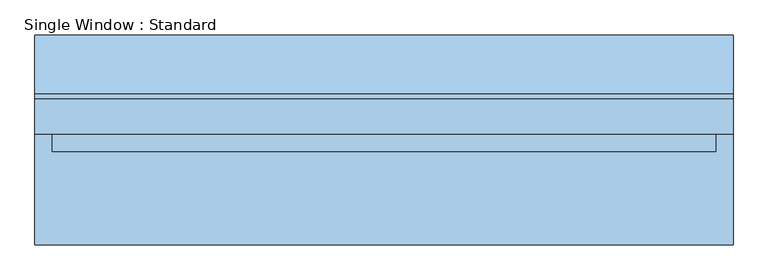
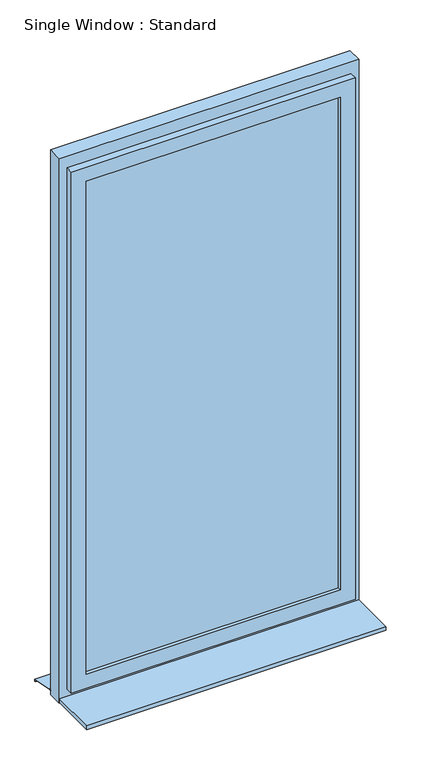
"""IFC4 building model written with IfcOpenShell, lengths in millimetres: window geometry, Single Window : Standard."""

from ifc_helpers import new_model, si_unit, frame, origin, place, context, project, spatial, polyline, outline, extrude, faceted_brep, source, transform, mapped, element, save


def single_window_standard_d27f5a59(model_context):
    return source(origin(), model_context, "Body", "SolidModel", [
        extrude(outline(polyline([(507.8873661, -5.0), (-507.8873661, -5.0), (-507.8873661, 25.0), (507.8873661, 25.0), (507.8873661, -5.0)])), frame((0.0, 0.0, 1110.0), z_axis=(0.0, 0.0, 1.0), x_axis=(1.0, 0.0, 0.0)), (0.0, 0.0, 1.0), 2080.0),
        faceted_brep([(567.8873661, 10.0, 3250.0), (567.8873661, -20.0, 3250.0), (567.8873661, -20.0, 1050.0), (567.8873661, 10.0, 1050.0), (537.8873661, 40.0, 3220.0), (537.8873661, 10.0, 3220.0), (537.8873661, 10.0, 1080.0), (537.8873661, 40.0, 1080.0), (507.8873661, -20.0, 3190.0), (507.8873661, 40.0, 3190.0), (507.8873661, 40.0, 1110.0), (507.8873661, -20.0, 1110.0), (-567.8873661, -20.0, 1050.0), (-567.8873661, 10.0, 1050.0), (-537.8873661, 10.0, 1080.0), (-537.8873661, 40.0, 1080.0), (-507.8873661, 40.0, 1110.0), (-507.8873661, -20.0, 1110.0), (-567.8873661, -20.0, 3250.0), (-567.8873661, 10.0, 3250.0), (-537.8873661, 10.0, 3220.0), (-537.8873661, 40.0, 3220.0), (-507.8873661, 40.0, 3190.0), (-507.8873661, -20.0, 3190.0)], [[[0, 1, 2, 3]], [[4, 5, 6, 7]], [[8, 9, 10, 11]], [[3, 2, 12, 13]], [[7, 6, 14, 15]], [[11, 10, 16, 17]], [[13, 12, 18, 19]], [[15, 14, 20, 21]], [[17, 16, 22, 23]], [[19, 18, 1, 0]], [[3, 13, 19, 0], [5, 20, 14, 6]], [[21, 20, 5, 4]], [[7, 15, 21, 4], [9, 22, 16, 10]], [[23, 22, 9, 8]], [[1, 18, 12, 2], [11, 17, 23, 8]]]),
        extrude(outline(polyline([(3300.0, 597.8873661), (3300.0, -597.8873661), (1000.0, -597.8873661), (1000.0, 597.8873661), (3300.0, 597.8873661)]), holes=[polyline([(3220.0, 537.8873661), (1080.0, 537.8873661), (1080.0, -537.8873661), (3220.0, -537.8873661), (3220.0, 537.8873661)])]), frame((0.0, 10.0, 0.0), z_axis=(0.0, 1.0, 0.0), x_axis=(0.0, 0.0, 1.0)), (0.0, 0.0, 1.0), 60.0),
        extrude(outline(polyline([(80.0221543, 1020.0), (180.0, 1000.0), (180.0, 990.0), (178.0, 990.0), (178.0, 998.3604634), (79.8240723, 1018.0), (70.0, 1018.0), (70.0, 1020.0), (80.0221543, 1020.0)])), frame((-597.8873661, 0.0, 0.0), z_axis=(1.0, 0.0, 0.0), x_axis=(0.0, 1.0, 0.0)), (0.0, 0.0, 1.0), 1195.7747322),
        extrude(outline(polyline([(-597.8873661, -180.0), (-597.8873661, 10.0), (597.8873661, 10.0), (597.8873661, -180.0), (-597.8873661, -180.0)])), frame((0.0, 0.0, 1005.0), z_axis=(0.0, 0.0, 1.0), x_axis=(1.0, 0.0, 0.0)), (0.0, 0.0, 1.0), 15.0),
    ])


if __name__ == "__main__":
    model = new_model("IFC4")
    model_context = context("Model", 3, world=origin())
    ifc_project = project(units=[si_unit("LENGTHUNIT", "METRE", prefix="MILLI")], contexts=[model_context])
    site = spatial("IfcSite", under=ifc_project)
    building = spatial("IfcBuilding", under=site)
    placement = place(None, origin())
    single_window_standard_shape = single_window_standard_d27f5a59(model_context)
    element("IfcWindow", 1, ObjectType="Single Window : Standard", at=placement, inside=building, context=model_context, shape_type="MappedRepresentation", body=[
        mapped(single_window_standard_shape, transform((0.0, 0.0, 0.0), x_axis=(1.0, 0.0, 0.0), y_axis=(0.0, 1.0, 0.0), z_axis=(0.0, 0.0, 1.0))),
    ])
    save(model, "model.ifc")
